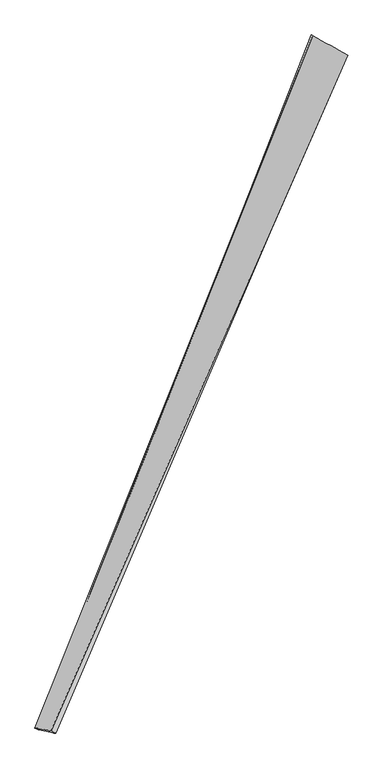
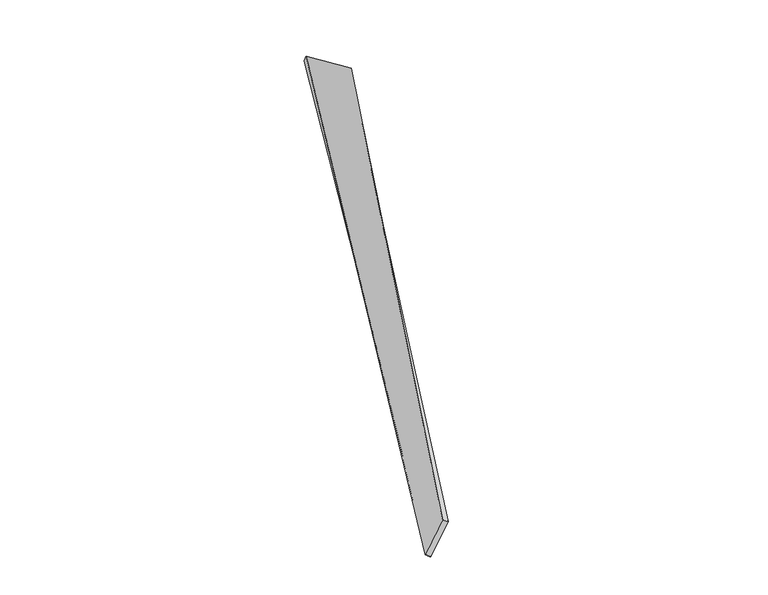
"""IFC4 building model written with IfcOpenShell, lengths in millimetres: proxy geometry."""

from ifc_helpers import new_model, si_unit, origin, place, context, project, spatial, source, transform, mapped, element, save
from ifc_brep_helpers import spline_surface, advanced_brep


def generic_models_436012de(model_context):
    return source(origin(), model_context, "Body", "AdvancedBrep", [
        advanced_brep(
        [(-664.429216, -1683.2206806, 91.9170185), (-638.958426, -1694.7841952, 81.0761706), (944.9546628, 2005.5556626, -65.2037167), (954.0919048, 2002.535472, -36.7891208), (-728.0014547, -1677.5094296, -106.3959479), (754.1212516, 2113.3363299, 7.6497031), (-752.2054269, -1668.3142557, -91.2428456), (762.5427381, 2108.9994643, 36.1149479)],
        [
            (0, 1),
            (1, 2),
            (2, 3),
            (3, 0),
            (1, 4),
            (4, 5),
            (5, 2),
            (4, 6),
            (6, 7),
            (7, 5),
            (6, 0),
            (3, 7),
        ],
        [
            spline_surface(1, 1, [[(-664.429216, -1683.2206806, 91.9170185), (954.0919048, 2002.535472, -36.7891208)], [(-638.958426, -1694.7841952, 81.0761706), (944.9546628, 2005.5556626, -65.2037167)]], [2, 2], [2, 2], [0.0, 1.0], [0.0, 1.0]),
            spline_surface(1, 1, [[(-638.958426, -1694.7841952, 81.0761706), (944.9546628, 2005.5556626, -65.2037167)], [(-728.0014547, -1677.5094296, -106.3959479), (754.1212516, 2113.3363299, 7.6497031)]], [2, 2], [2, 2], [0.0, 1.0], [0.0, 1.0]),
            spline_surface(1, 1, [[(-728.0014547, -1677.5094296, -106.3959479), (754.1212516, 2113.3363299, 7.6497031)], [(-752.2054269, -1668.3142557, -91.2428456), (762.5427381, 2108.9994643, 36.1149479)]], [2, 2], [2, 2], [0.0, 1.0], [0.0, 1.0]),
            spline_surface(1, 1, [[(-752.2054269, -1668.3142557, -91.2428456), (762.5427381, 2108.9994643, 36.1149479)], [(-664.429216, -1683.2206806, 91.9170185), (954.0919048, 2002.535472, -36.7891208)]], [2, 2], [2, 2], [0.0, 1.0], [0.0, 1.0]),
            spline_surface(1, 1, [[(944.9546628, 2005.5556626, -65.2037167), (954.0919048, 2002.535472, -36.7891208)], [(754.1212516, 2113.3363299, 7.6497031), (762.5427381, 2108.9994643, 36.1149479)]], [2, 2], [2, 2], [0.0, 1.0], [0.0, 1.0]),
            spline_surface(1, 1, [[(-752.2054269, -1668.3142557, -91.2428456), (-664.429216, -1683.2206806, 91.9170185)], [(-728.0014547, -1677.5094296, -106.3959479), (-638.958426, -1694.7841952, 81.0761706)]], [2, 2], [2, 2], [0.0, 1.0], [0.0, 1.0]),
        ],
        [
            (0, [[1, 2, 3, 4]]),
            (1, [[5, 6, 7, -2]]),
            (2, [[8, 9, 10, -6]]),
            (3, [[11, -4, 12, -9]]),
            (4, [[-3, -7, -10, -12]]),
            (5, [[-11, -8, -5, -1]]),
        ],
    ),
    ])


if __name__ == "__main__":
    model = new_model("IFC4")
    model_context = context("Model", 3, world=origin())
    ifc_project = project(units=[si_unit("LENGTHUNIT", "METRE", prefix="MILLI")], contexts=[model_context])
    site = spatial("IfcSite", under=ifc_project)
    building = spatial("IfcBuilding", under=site)
    placement = place(None, origin())
    generic_models_shape = generic_models_436012de(model_context)
    element("IfcBuildingElementProxy", 1, Name="Generic Models", at=placement, inside=building, context=model_context, shape_type="MappedRepresentation", body=[
        mapped(generic_models_shape, transform((0.0, 0.0, 0.0), x_axis=(1.0, 0.0, 0.0), y_axis=(0.0, 1.0, 0.0), z_axis=(0.0, 0.0, 1.0))),
    ])
    save(model, "model.ifc")
